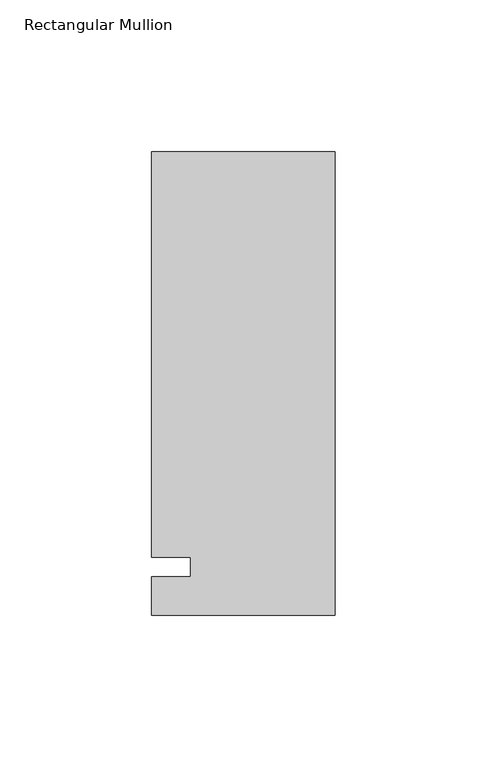
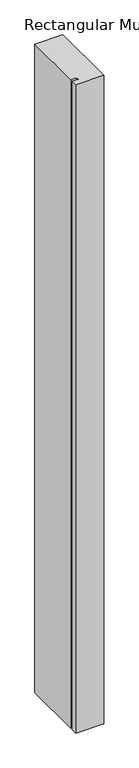
"""IFC4 building model written with IfcOpenShell, lengths in millimetres: member geometry, Rectangular Mullion."""

from ifc_helpers import new_model, si_unit, frame, origin, place, context, project, spatial, polyline, outline, extrude, source, transform, mapped, element, save


def rectangular_mullion_c3385569(model_context):
    return source(origin(), model_context, "Body", "SweptSolid", [
        extrude(outline(polyline([(-60.325, 136.525), (0.0, 136.525), (0.0, -15.875), (-60.325, -15.875), (-60.325, -3.175), (-47.6232296, -3.175), (-47.6232296, 3.175), (-60.325, 3.175), (-60.325, 136.525)])), frame((0.0, 0.0, -1478.28), z_axis=(0.0, 0.0, 1.0), x_axis=(1.0, 0.0, 0.0)), (0.0, 0.0, 1.0), 1478.28),
    ])


if __name__ == "__main__":
    model = new_model("IFC4")
    model_context = context("Model", 3, world=origin())
    ifc_project = project(units=[si_unit("LENGTHUNIT", "METRE", prefix="MILLI")], contexts=[model_context])
    site = spatial("IfcSite", under=ifc_project)
    building = spatial("IfcBuilding", under=site)
    placement = place(None, origin())
    rectangular_mullion_shape = rectangular_mullion_c3385569(model_context)
    element("IfcMember", 1, ObjectType="Rectangular Mullion", at=placement, inside=building, context=model_context, shape_type="MappedRepresentation", body=[
        mapped(rectangular_mullion_shape, transform((0.0, 0.0, 0.0), x_axis=(1.0, 0.0, 0.0), y_axis=(0.0, 1.0, 0.0), z_axis=(0.0, 0.0, 1.0))),
    ])
    save(model, "model.ifc")
